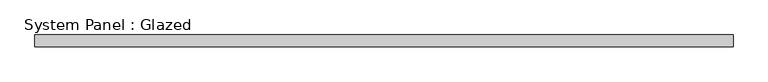
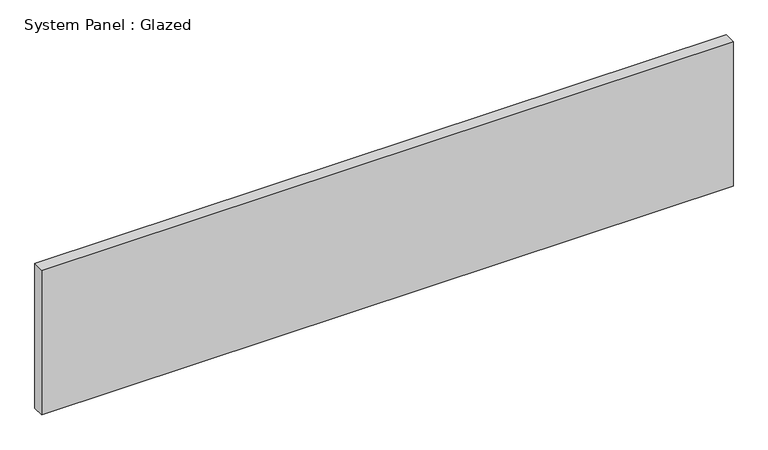
"""IFC4 building model written with IfcOpenShell, lengths in millimetres: plate geometry, System Panel : Glazed."""

import ifcopenshell
import ifcopenshell.guid

model = None  # the IFC model being written
_history = None  # IfcOwnerHistory: only IFC2X3 demands one
_inside = {}  # id of a spatial element -> (the spatial element, [elements in it])
_under = {}  # id of a project, library or spatial element -> (it, [spatial elements below it])
_declared = {}  # id of a project -> (the project, [libraries it declares])
_typed = {}  # id of a type object -> (the type object, [elements of that type])
_made_of = {}  # id of a material, layer set ... -> (it, [elements and type objects made of it])


def new_model(schema):
    """Start an empty IFC model of exactly this schema.

    Asked for "IFC4X3", IfcOpenShell would pick the latest addendum, in which some entities
    have other attributes; the version numbers below select the first issue.
    IFC2X3 requires an IfcOwnerHistory on every rooted entity: one is made here for all.
    """
    global model, _history
    if schema == "IFC4X3":
        model = ifcopenshell.file(schema_version=(4, 3, 0, 0))
    else:
        model = ifcopenshell.file(schema=schema)
    _inside.clear()
    _under.clear()
    _declared.clear()
    _typed.clear()
    _made_of.clear()
    _history = None
    if model.schema == "IFC2X3":
        org = make("IfcOrganization", Name="unknown")
        user = make(
            "IfcPersonAndOrganization",
            ThePerson=make("IfcPerson", FamilyName="unknown"),
            TheOrganization=org,
        )
        app = make(
            "IfcApplication",
            ApplicationDeveloper=org,
            Version="unknown",
            ApplicationFullName="unknown",
            ApplicationIdentifier="unknown",
        )
        _history = make(
            "IfcOwnerHistory",
            OwningUser=user,
            OwningApplication=app,
            ChangeAction="ADDED",
            CreationDate=0,
        )
    return model


def make(cls, **values):
    """One entity of the class cls with the attributes given. An attribute that is None is left unset."""
    return model.create_entity(
        cls, **{name: value for name, value in values.items() if value is not None}
    )


def rooted(cls, **values):
    """An entity with a GlobalId (a new one), such as an element, a storey or a relation."""
    return make(cls, GlobalId=ifcopenshell.guid.new(), OwnerHistory=_history, **values)


def si_unit(unit_type, name, prefix=None):
    """IfcSIUnit, for example si_unit("LENGTHUNIT", "METRE", prefix="MILLI")."""
    return make("IfcSIUnit", UnitType=unit_type, Prefix=prefix, Name=name)


def assignment(units):
    """IfcUnitAssignment: the units of a project."""
    return None if units is None else make("IfcUnitAssignment", Units=units)


def point(xyz):
    """IfcCartesianPoint."""
    return None if xyz is None else make("IfcCartesianPoint", Coordinates=xyz)


def direction(xyz):
    """IfcDirection."""
    return None if xyz is None else make("IfcDirection", DirectionRatios=xyz)


def frame(location, z_axis=None, x_axis=None):
    """IfcAxis2Placement3D, a coordinate frame: its origin and axes. An axis left out is left unset."""
    return make(
        "IfcAxis2Placement3D",
        Location=point(location),
        Axis=direction(z_axis),
        RefDirection=direction(x_axis),
    )


def origin():
    """The frame at (0, 0, 0) with its axes left unset."""
    return frame((0.0, 0.0, 0.0))


def origin_with_axes():
    """The frame at (0, 0, 0) with the z axis (0, 0, 1) and the x axis (1, 0, 0) written out."""
    return frame((0.0, 0.0, 0.0), z_axis=(0.0, 0.0, 1.0), x_axis=(1.0, 0.0, 0.0))


def place(relative_to, where):
    """IfcLocalPlacement: puts the frame where relative to a parent placement (None: the world)."""
    return make(
        "IfcLocalPlacement", PlacementRelTo=relative_to, RelativePlacement=where
    )


def context(
    kind, dimensions, precision=None, world=None, true_north=None, identifier=None
):
    """IfcGeometricRepresentationContext, for example the 3D "Model" context."""
    return make(
        "IfcGeometricRepresentationContext",
        ContextIdentifier=identifier,
        ContextType=kind,
        CoordinateSpaceDimension=dimensions,
        Precision=precision,
        WorldCoordinateSystem=world,
        TrueNorth=true_north,
    )


def project(units=None, contexts=None):
    """IfcProject with its units and contexts."""
    return rooted(
        "IfcProject",
        Name="project",
        RepresentationContexts=contexts,
        UnitsInContext=assignment(units),
    )


def spatial(cls, under=None, at=None, **own):
    """A site, building, storey or space (cls), placed at a placement, below another one or the project."""
    s = rooted(cls, ObjectPlacement=at, **own)
    if under is not None:
        _under.setdefault(under.id(), (under, []))[1].append(s)
    return s


def polyline(points):
    """IfcPolyline through the points."""
    return make("IfcPolyline", Points=[point(p) for p in points])


def outline(outer, holes=None, kind="AREA"):
    """IfcArbitraryClosedProfileDef: a profile drawn as a closed curve; with holes, ...WithVoids."""
    if holes is None:
        return make("IfcArbitraryClosedProfileDef", ProfileType=kind, OuterCurve=outer)
    return make(
        "IfcArbitraryProfileDefWithVoids",
        ProfileType=kind,
        OuterCurve=outer,
        InnerCurves=holes,
    )


def extrude(swept, where, along, depth):
    """IfcExtrudedAreaSolid: the profile swept, set in the frame where, extruded along a direction by depth."""
    return make(
        "IfcExtrudedAreaSolid",
        SweptArea=swept,
        Position=where,
        ExtrudedDirection=direction(along),
        Depth=depth,
    )


def shape(context_of_items, identifier, shape_type, items):
    """IfcShapeRepresentation: the items that make up one representation, for example the "Body"."""
    return make(
        "IfcShapeRepresentation",
        ContextOfItems=context_of_items,
        RepresentationIdentifier=identifier,
        RepresentationType=shape_type,
        Items=items,
    )


def source(mapping_origin, context_of_items, identifier, shape_type, items):
    """IfcRepresentationMap: a shape defined once, which mapped items show again and again."""
    return make(
        "IfcRepresentationMap",
        MappingOrigin=mapping_origin,
        MappedRepresentation=shape(context_of_items, identifier, shape_type, items),
    )


def transform(
    local_origin,
    x_axis=None,
    y_axis=None,
    z_axis=None,
    scale=None,
    scale2=None,
    scale3=None,
    uniform=True,
):
    """IfcCartesianTransformationOperator3D, or its non-uniform kind. x_axis, y_axis, z_axis: its Axis1, 2, 3."""
    if uniform:
        return make(
            "IfcCartesianTransformationOperator3D",
            Axis1=direction(x_axis),
            Axis2=direction(y_axis),
            LocalOrigin=point(local_origin),
            Scale=scale,
            Axis3=direction(z_axis),
        )
    return make(
        "IfcCartesianTransformationOperator3DnonUniform",
        Axis1=direction(x_axis),
        Axis2=direction(y_axis),
        LocalOrigin=point(local_origin),
        Scale=scale,
        Axis3=direction(z_axis),
        Scale2=scale2,
        Scale3=scale3,
    )


def mapped(mapping_source, mapping_target):
    """IfcMappedItem: shows the shape of a source again, moved by a transform."""
    return make(
        "IfcMappedItem", MappingSource=mapping_source, MappingTarget=mapping_target
    )


def made_of(thing, what):
    """Note that an element or type object is made of a material, layer set ...; save() writes the relation."""
    if what is not None:
        _made_of.setdefault(what.id(), (what, []))[1].append(thing)
    return thing


def element(
    cls,
    number,
    at=None,
    inside=None,
    cuts=None,
    type_object=None,
    material=None,
    context=None,
    identifier="Body",
    shape_type=None,
    held_by="IfcProductDefinitionShape",
    body=None,
    shapes=None,
    **own,
):
    """One element of the class cls, such as IfcWall. Its Tag is "e" and its number.

    at: its placement. inside: the storey or other place that contains it. cuts: it is an
    opening in that element (IfcRelVoidsElement). A single representation is given by context,
    identifier, shape_type and body (its items); several are given by shapes. held_by: the class
    of the entity that holds the representations. save() writes the other relations.
    """
    e = rooted(cls, Tag="e%d" % number, ObjectPlacement=at, **own)
    if body is not None:
        shapes = [shape(context, identifier, shape_type, body)]
    if shapes is not None:
        e.Representation = make(held_by, Representations=shapes)
    if inside is not None:
        _inside.setdefault(inside.id(), (inside, []))[1].append(e)
    if cuts is not None:
        rooted(
            "IfcRelVoidsElement", RelatingBuildingElement=cuts, RelatedOpeningElement=e
        )
    if type_object is not None:
        _typed.setdefault(type_object.id(), (type_object, []))[1].append(e)
    return made_of(e, material)


def aggregate(whole, parts):
    """IfcRelAggregates: a whole, such as a stair, and the parts it consists of."""
    return rooted("IfcRelAggregates", RelatingObject=whole, RelatedObjects=parts)


def save(model, path):
    """Write the relations noted so far, then the file.

    IfcRelAggregates (storeys below a building ...), IfcRelContainedInSpatialStructure (elements
    in a storey), IfcRelDefinesByType, IfcRelAssociatesMaterial and IfcRelDeclares: one each for
    every whole, place, type object, material and project.
    """
    for whole, parts in _under.values():
        aggregate(whole, parts)
    for where, things in _inside.values():
        rooted(
            "IfcRelContainedInSpatialStructure",
            RelatedElements=things,
            RelatingStructure=where,
        )
    for kind, things in _typed.values():
        rooted("IfcRelDefinesByType", RelatedObjects=things, RelatingType=kind)
    for what, things in _made_of.values():
        rooted("IfcRelAssociatesMaterial", RelatedObjects=things, RelatingMaterial=what)
    for by, libraries in _declared.values():
        rooted("IfcRelDeclares", RelatingContext=by, RelatedDefinitions=libraries)
    model.write(path)


def system_panel_glazed_f738d26e(model_context):
    return source(origin(), model_context, "Body", "SweptSolid", [
        extrude(outline(polyline([(747.4750147, 24.5), (-747.4750147, 24.5), (-747.4750147, 49.5), (747.4750147, 49.5), (747.4750147, 24.5)])), origin_with_axes(), (0.0, 0.0, 1.0), 330.6255213),
    ])


if __name__ == "__main__":
    model = new_model("IFC4")
    model_context = context("Model", 3, world=origin())
    ifc_project = project(units=[si_unit("LENGTHUNIT", "METRE", prefix="MILLI")], contexts=[model_context])
    site = spatial("IfcSite", under=ifc_project)
    building = spatial("IfcBuilding", under=site)
    placement = place(None, origin())
    system_panel_glazed_shape = system_panel_glazed_f738d26e(model_context)
    element("IfcPlate", 1, ObjectType="System Panel : Glazed", at=placement, inside=building, context=model_context, shape_type="MappedRepresentation", body=[
        mapped(system_panel_glazed_shape, transform((0.0, 0.0, 0.0), x_axis=(1.0, 0.0, 0.0), y_axis=(0.0, 1.0, 0.0), z_axis=(0.0, 0.0, 1.0))),
    ])
    save(model, "model.ifc")
